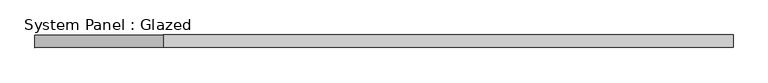
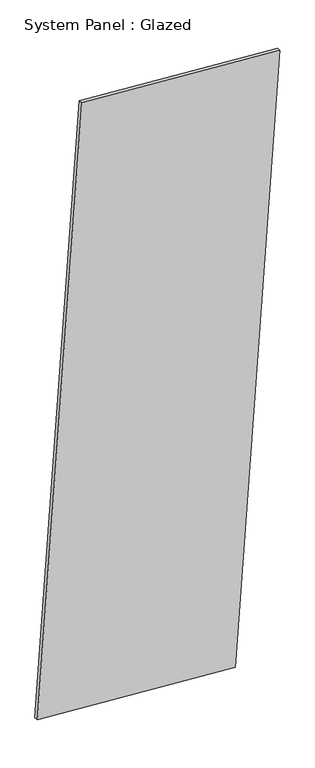
"""IFC4 building model written with IfcOpenShell, lengths in millimetres: plate geometry, System Panel : Glazed."""

import ifcopenshell
import ifcopenshell.guid

model = None  # the IFC model being written
_history = None  # IfcOwnerHistory: only IFC2X3 demands one
_inside = {}  # id of a spatial element -> (the spatial element, [elements in it])
_under = {}  # id of a project, library or spatial element -> (it, [spatial elements below it])
_declared = {}  # id of a project -> (the project, [libraries it declares])
_typed = {}  # id of a type object -> (the type object, [elements of that type])
_made_of = {}  # id of a material, layer set ... -> (it, [elements and type objects made of it])


def new_model(schema):
    """Start an empty IFC model of exactly this schema.

    Asked for "IFC4X3", IfcOpenShell would pick the latest addendum, in which some entities
    have other attributes; the version numbers below select the first issue.
    IFC2X3 requires an IfcOwnerHistory on every rooted entity: one is made here for all.
    """
    global model, _history
    if schema == "IFC4X3":
        model = ifcopenshell.file(schema_version=(4, 3, 0, 0))
    else:
        model = ifcopenshell.file(schema=schema)
    _inside.clear()
    _under.clear()
    _declared.clear()
    _typed.clear()
    _made_of.clear()
    _history = None
    if model.schema == "IFC2X3":
        org = make("IfcOrganization", Name="unknown")
        user = make(
            "IfcPersonAndOrganization",
            ThePerson=make("IfcPerson", FamilyName="unknown"),
            TheOrganization=org,
        )
        app = make(
            "IfcApplication",
            ApplicationDeveloper=org,
            Version="unknown",
            ApplicationFullName="unknown",
            ApplicationIdentifier="unknown",
        )
        _history = make(
            "IfcOwnerHistory",
            OwningUser=user,
            OwningApplication=app,
            ChangeAction="ADDED",
            CreationDate=0,
        )
    return model


def make(cls, **values):
    """One entity of the class cls with the attributes given. An attribute that is None is left unset."""
    return model.create_entity(
        cls, **{name: value for name, value in values.items() if value is not None}
    )


def rooted(cls, **values):
    """An entity with a GlobalId (a new one), such as an element, a storey or a relation."""
    return make(cls, GlobalId=ifcopenshell.guid.new(), OwnerHistory=_history, **values)


def si_unit(unit_type, name, prefix=None):
    """IfcSIUnit, for example si_unit("LENGTHUNIT", "METRE", prefix="MILLI")."""
    return make("IfcSIUnit", UnitType=unit_type, Prefix=prefix, Name=name)


def assignment(units):
    """IfcUnitAssignment: the units of a project."""
    return None if units is None else make("IfcUnitAssignment", Units=units)


def point(xyz):
    """IfcCartesianPoint."""
    return None if xyz is None else make("IfcCartesianPoint", Coordinates=xyz)


def direction(xyz):
    """IfcDirection."""
    return None if xyz is None else make("IfcDirection", DirectionRatios=xyz)


def frame(location, z_axis=None, x_axis=None):
    """IfcAxis2Placement3D, a coordinate frame: its origin and axes. An axis left out is left unset."""
    return make(
        "IfcAxis2Placement3D",
        Location=point(location),
        Axis=direction(z_axis),
        RefDirection=direction(x_axis),
    )


def origin():
    """The frame at (0, 0, 0) with its axes left unset."""
    return frame((0.0, 0.0, 0.0))


def place(relative_to, where):
    """IfcLocalPlacement: puts the frame where relative to a parent placement (None: the world)."""
    return make(
        "IfcLocalPlacement", PlacementRelTo=relative_to, RelativePlacement=where
    )


def context(
    kind, dimensions, precision=None, world=None, true_north=None, identifier=None
):
    """IfcGeometricRepresentationContext, for example the 3D "Model" context."""
    return make(
        "IfcGeometricRepresentationContext",
        ContextIdentifier=identifier,
        ContextType=kind,
        CoordinateSpaceDimension=dimensions,
        Precision=precision,
        WorldCoordinateSystem=world,
        TrueNorth=true_north,
    )


def project(units=None, contexts=None):
    """IfcProject with its units and contexts."""
    return rooted(
        "IfcProject",
        Name="project",
        RepresentationContexts=contexts,
        UnitsInContext=assignment(units),
    )


def spatial(cls, under=None, at=None, **own):
    """A site, building, storey or space (cls), placed at a placement, below another one or the project."""
    s = rooted(cls, ObjectPlacement=at, **own)
    if under is not None:
        _under.setdefault(under.id(), (under, []))[1].append(s)
    return s


def polyline(points):
    """IfcPolyline through the points."""
    return make("IfcPolyline", Points=[point(p) for p in points])


def outline(outer, holes=None, kind="AREA"):
    """IfcArbitraryClosedProfileDef: a profile drawn as a closed curve; with holes, ...WithVoids."""
    if holes is None:
        return make("IfcArbitraryClosedProfileDef", ProfileType=kind, OuterCurve=outer)
    return make(
        "IfcArbitraryProfileDefWithVoids",
        ProfileType=kind,
        OuterCurve=outer,
        InnerCurves=holes,
    )


def extrude(swept, where, along, depth):
    """IfcExtrudedAreaSolid: the profile swept, set in the frame where, extruded along a direction by depth."""
    return make(
        "IfcExtrudedAreaSolid",
        SweptArea=swept,
        Position=where,
        ExtrudedDirection=direction(along),
        Depth=depth,
    )


def shape(context_of_items, identifier, shape_type, items):
    """IfcShapeRepresentation: the items that make up one representation, for example the "Body"."""
    return make(
        "IfcShapeRepresentation",
        ContextOfItems=context_of_items,
        RepresentationIdentifier=identifier,
        RepresentationType=shape_type,
        Items=items,
    )


def source(mapping_origin, context_of_items, identifier, shape_type, items):
    """IfcRepresentationMap: a shape defined once, which mapped items show again and again."""
    return make(
        "IfcRepresentationMap",
        MappingOrigin=mapping_origin,
        MappedRepresentation=shape(context_of_items, identifier, shape_type, items),
    )


def transform(
    local_origin,
    x_axis=None,
    y_axis=None,
    z_axis=None,
    scale=None,
    scale2=None,
    scale3=None,
    uniform=True,
):
    """IfcCartesianTransformationOperator3D, or its non-uniform kind. x_axis, y_axis, z_axis: its Axis1, 2, 3."""
    if uniform:
        return make(
            "IfcCartesianTransformationOperator3D",
            Axis1=direction(x_axis),
            Axis2=direction(y_axis),
            LocalOrigin=point(local_origin),
            Scale=scale,
            Axis3=direction(z_axis),
        )
    return make(
        "IfcCartesianTransformationOperator3DnonUniform",
        Axis1=direction(x_axis),
        Axis2=direction(y_axis),
        LocalOrigin=point(local_origin),
        Scale=scale,
        Axis3=direction(z_axis),
        Scale2=scale2,
        Scale3=scale3,
    )


def mapped(mapping_source, mapping_target):
    """IfcMappedItem: shows the shape of a source again, moved by a transform."""
    return make(
        "IfcMappedItem", MappingSource=mapping_source, MappingTarget=mapping_target
    )


def made_of(thing, what):
    """Note that an element or type object is made of a material, layer set ...; save() writes the relation."""
    if what is not None:
        _made_of.setdefault(what.id(), (what, []))[1].append(thing)
    return thing


def element(
    cls,
    number,
    at=None,
    inside=None,
    cuts=None,
    type_object=None,
    material=None,
    context=None,
    identifier="Body",
    shape_type=None,
    held_by="IfcProductDefinitionShape",
    body=None,
    shapes=None,
    **own,
):
    """One element of the class cls, such as IfcWall. Its Tag is "e" and its number.

    at: its placement. inside: the storey or other place that contains it. cuts: it is an
    opening in that element (IfcRelVoidsElement). A single representation is given by context,
    identifier, shape_type and body (its items); several are given by shapes. held_by: the class
    of the entity that holds the representations. save() writes the other relations.
    """
    e = rooted(cls, Tag="e%d" % number, ObjectPlacement=at, **own)
    if body is not None:
        shapes = [shape(context, identifier, shape_type, body)]
    if shapes is not None:
        e.Representation = make(held_by, Representations=shapes)
    if inside is not None:
        _inside.setdefault(inside.id(), (inside, []))[1].append(e)
    if cuts is not None:
        rooted(
            "IfcRelVoidsElement", RelatingBuildingElement=cuts, RelatedOpeningElement=e
        )
    if type_object is not None:
        _typed.setdefault(type_object.id(), (type_object, []))[1].append(e)
    return made_of(e, material)


def aggregate(whole, parts):
    """IfcRelAggregates: a whole, such as a stair, and the parts it consists of."""
    return rooted("IfcRelAggregates", RelatingObject=whole, RelatedObjects=parts)


def save(model, path):
    """Write the relations noted so far, then the file.

    IfcRelAggregates (storeys below a building ...), IfcRelContainedInSpatialStructure (elements
    in a storey), IfcRelDefinesByType, IfcRelAssociatesMaterial and IfcRelDeclares: one each for
    every whole, place, type object, material and project.
    """
    for whole, parts in _under.values():
        aggregate(whole, parts)
    for where, things in _inside.values():
        rooted(
            "IfcRelContainedInSpatialStructure",
            RelatedElements=things,
            RelatingStructure=where,
        )
    for kind, things in _typed.values():
        rooted("IfcRelDefinesByType", RelatedObjects=things, RelatingType=kind)
    for what, things in _made_of.values():
        rooted("IfcRelAssociatesMaterial", RelatedObjects=things, RelatingMaterial=what)
    for by, libraries in _declared.values():
        rooted("IfcRelDeclares", RelatingContext=by, RelatedDefinitions=libraries)
    model.write(path)


def system_panel_glazed_2d289a9b(model_context):
    return source(origin(), model_context, "Body", "SweptSolid", [
        extrude(outline(polyline([(0.0, -1151.0000001), (0.0, 0.0), (25.0, 0.0), (25.0, -1151.0000001), (0.0, -1151.0000001)])), frame((-703.1475874, 24.5, 80.2897013), z_axis=(0.06975647374412694, 0.0, 0.9975640502598242), x_axis=(0.0, 1.0, 0.0)), (0.0, 0.0, 1.0), 3700.0),
    ])


if __name__ == "__main__":
    model = new_model("IFC4")
    model_context = context("Model", 3, world=origin())
    ifc_project = project(units=[si_unit("LENGTHUNIT", "METRE", prefix="MILLI")], contexts=[model_context])
    site = spatial("IfcSite", under=ifc_project)
    building = spatial("IfcBuilding", under=site)
    placement = place(None, origin())
    system_panel_glazed_shape = system_panel_glazed_2d289a9b(model_context)
    element("IfcPlate", 1, ObjectType="System Panel : Glazed", at=placement, inside=building, context=model_context, shape_type="MappedRepresentation", body=[
        mapped(system_panel_glazed_shape, transform((0.0, 0.0, 0.0), x_axis=(1.0, 0.0, 0.0), y_axis=(0.0, 1.0, 0.0), z_axis=(0.0, 0.0, 1.0))),
    ])
    save(model, "model.ifc")
